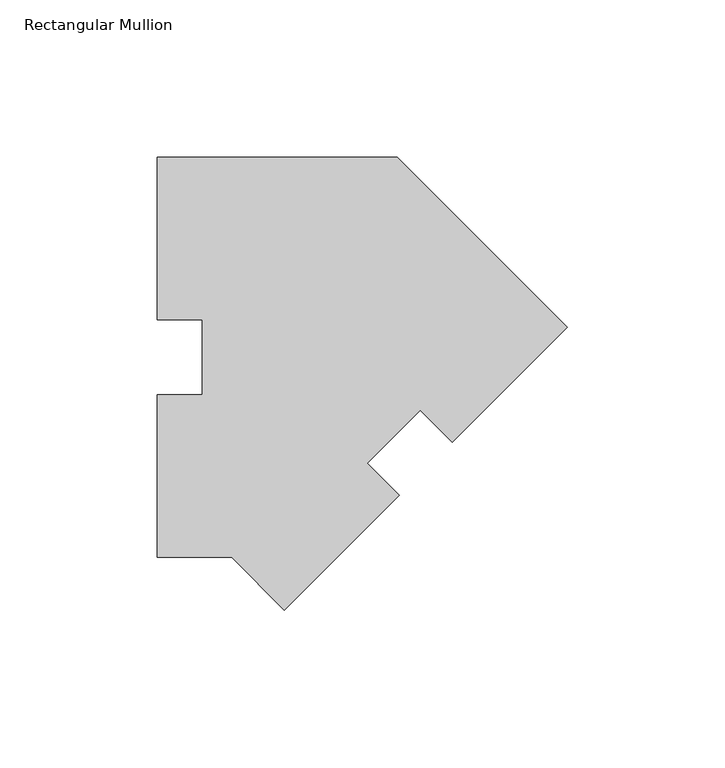
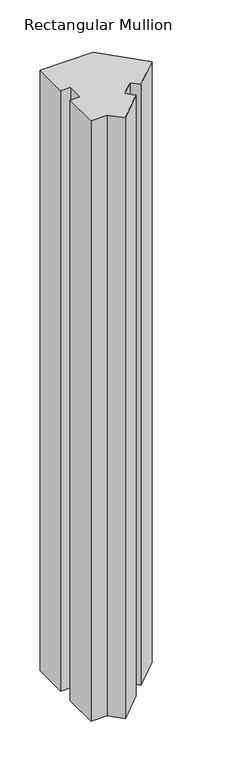
"""IFC4 building model written with IfcOpenShell, lengths in millimetres: member geometry, Rectangular Mullion."""

from ifc_helpers import new_model, si_unit, frame, origin, place, context, project, spatial, polyline, outline, extrude, source, transform, mapped, element, save


def rectangular_mullion_cf468e4a(model_context):
    return source(origin(), model_context, "Body", "SweptSolid", [
        extrude(outline(polyline([(-130.0815367, 127.00635), (-53.8815367, 127.00635), (0.0, 73.1248133), (-36.4867806, 36.6380327), (-46.5895688, 46.7408208), (-63.4185687, 29.9118208), (-53.3157806, 19.8090327), (-89.8025612, -16.6777479), (-106.4866591, 0.00635), (-130.0815367, 0.00635), (-130.0815367, 51.60645), (-115.7940367, 51.60645), (-115.7940367, 75.40625), (-130.0815367, 75.40625), (-130.0815367, 127.00635)])), frame((0.0, 0.0, -914.4), z_axis=(0.0, 0.0, 1.0), x_axis=(1.0, 0.0, 0.0)), (0.0, 0.0, 1.0), 914.4),
    ])


if __name__ == "__main__":
    model = new_model("IFC4")
    model_context = context("Model", 3, world=origin())
    ifc_project = project(units=[si_unit("LENGTHUNIT", "METRE", prefix="MILLI")], contexts=[model_context])
    site = spatial("IfcSite", under=ifc_project)
    building = spatial("IfcBuilding", under=site)
    placement = place(None, origin())
    rectangular_mullion_shape = rectangular_mullion_cf468e4a(model_context)
    element("IfcMember", 1, ObjectType="Rectangular Mullion", at=placement, inside=building, context=model_context, shape_type="MappedRepresentation", body=[
        mapped(rectangular_mullion_shape, transform((0.0, 0.0, 0.0), x_axis=(1.0, 0.0, 0.0), y_axis=(0.0, 1.0, 0.0), z_axis=(0.0, 0.0, 1.0))),
    ])
    save(model, "model.ifc")
